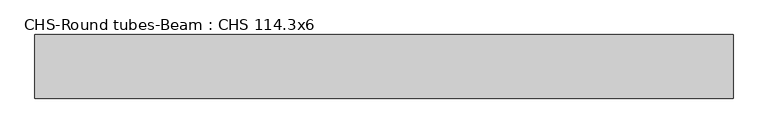
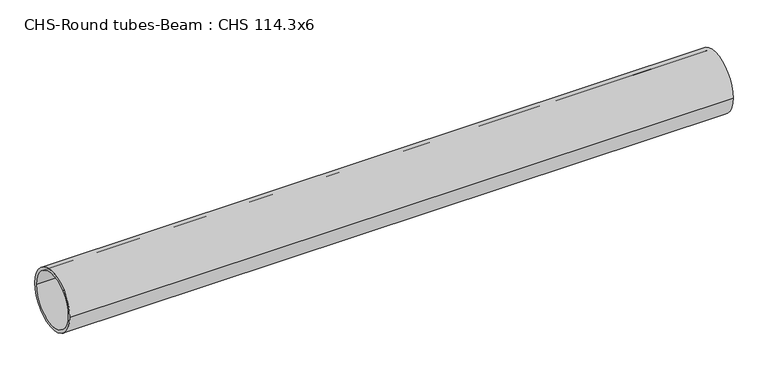
"""IFC4 building model written with IfcOpenShell, lengths in millimetres: beam geometry, CHS-Round tubes-Beam : CHS 114.3x6."""

import ifcopenshell
import ifcopenshell.guid

model = None  # the IFC model being written
_history = None  # IfcOwnerHistory: only IFC2X3 demands one
_inside = {}  # id of a spatial element -> (the spatial element, [elements in it])
_under = {}  # id of a project, library or spatial element -> (it, [spatial elements below it])
_declared = {}  # id of a project -> (the project, [libraries it declares])
_typed = {}  # id of a type object -> (the type object, [elements of that type])
_made_of = {}  # id of a material, layer set ... -> (it, [elements and type objects made of it])


def new_model(schema):
    """Start an empty IFC model of exactly this schema.

    Asked for "IFC4X3", IfcOpenShell would pick the latest addendum, in which some entities
    have other attributes; the version numbers below select the first issue.
    IFC2X3 requires an IfcOwnerHistory on every rooted entity: one is made here for all.
    """
    global model, _history
    if schema == "IFC4X3":
        model = ifcopenshell.file(schema_version=(4, 3, 0, 0))
    else:
        model = ifcopenshell.file(schema=schema)
    _inside.clear()
    _under.clear()
    _declared.clear()
    _typed.clear()
    _made_of.clear()
    _history = None
    if model.schema == "IFC2X3":
        org = make("IfcOrganization", Name="unknown")
        user = make(
            "IfcPersonAndOrganization",
            ThePerson=make("IfcPerson", FamilyName="unknown"),
            TheOrganization=org,
        )
        app = make(
            "IfcApplication",
            ApplicationDeveloper=org,
            Version="unknown",
            ApplicationFullName="unknown",
            ApplicationIdentifier="unknown",
        )
        _history = make(
            "IfcOwnerHistory",
            OwningUser=user,
            OwningApplication=app,
            ChangeAction="ADDED",
            CreationDate=0,
        )
    return model


def make(cls, **values):
    """One entity of the class cls with the attributes given. An attribute that is None is left unset."""
    return model.create_entity(
        cls, **{name: value for name, value in values.items() if value is not None}
    )


def rooted(cls, **values):
    """An entity with a GlobalId (a new one), such as an element, a storey or a relation."""
    return make(cls, GlobalId=ifcopenshell.guid.new(), OwnerHistory=_history, **values)


def si_unit(unit_type, name, prefix=None):
    """IfcSIUnit, for example si_unit("LENGTHUNIT", "METRE", prefix="MILLI")."""
    return make("IfcSIUnit", UnitType=unit_type, Prefix=prefix, Name=name)


def assignment(units):
    """IfcUnitAssignment: the units of a project."""
    return None if units is None else make("IfcUnitAssignment", Units=units)


def point(xyz):
    """IfcCartesianPoint."""
    return None if xyz is None else make("IfcCartesianPoint", Coordinates=xyz)


def direction(xyz):
    """IfcDirection."""
    return None if xyz is None else make("IfcDirection", DirectionRatios=xyz)


def frame(location, z_axis=None, x_axis=None):
    """IfcAxis2Placement3D, a coordinate frame: its origin and axes. An axis left out is left unset."""
    return make(
        "IfcAxis2Placement3D",
        Location=point(location),
        Axis=direction(z_axis),
        RefDirection=direction(x_axis),
    )


def frame_2d(location, x_axis=None):
    """IfcAxis2Placement2D, a coordinate frame in the plane: its origin and x axis."""
    return make(
        "IfcAxis2Placement2D", Location=point(location), RefDirection=direction(x_axis)
    )


def origin():
    """The frame at (0, 0, 0) with its axes left unset."""
    return frame((0.0, 0.0, 0.0))


def origin_2d():
    """The frame at (0, 0) in the plane with its x axis left unset."""
    return frame_2d((0.0, 0.0))


def place(relative_to, where):
    """IfcLocalPlacement: puts the frame where relative to a parent placement (None: the world)."""
    return make(
        "IfcLocalPlacement", PlacementRelTo=relative_to, RelativePlacement=where
    )


def context(
    kind, dimensions, precision=None, world=None, true_north=None, identifier=None
):
    """IfcGeometricRepresentationContext, for example the 3D "Model" context."""
    return make(
        "IfcGeometricRepresentationContext",
        ContextIdentifier=identifier,
        ContextType=kind,
        CoordinateSpaceDimension=dimensions,
        Precision=precision,
        WorldCoordinateSystem=world,
        TrueNorth=true_north,
    )


def project(units=None, contexts=None):
    """IfcProject with its units and contexts."""
    return rooted(
        "IfcProject",
        Name="project",
        RepresentationContexts=contexts,
        UnitsInContext=assignment(units),
    )


def spatial(cls, under=None, at=None, **own):
    """A site, building, storey or space (cls), placed at a placement, below another one or the project."""
    s = rooted(cls, ObjectPlacement=at, **own)
    if under is not None:
        _under.setdefault(under.id(), (under, []))[1].append(s)
    return s


def circle_curve(where, radius):
    """IfcCircle in the frame where."""
    return make("IfcCircle", Position=where, Radius=radius)


def trimmed(basis, trim1, trim2, sense, master):
    """IfcTrimmedCurve: the piece of a basis curve between two trims."""
    return make(
        "IfcTrimmedCurve",
        BasisCurve=basis,
        Trim1=trim1,
        Trim2=trim2,
        SenseAgreement=sense,
        MasterRepresentation=master,
    )


def segment(curve, same_sense, transition):
    """IfcCompositeCurveSegment."""
    return make(
        "IfcCompositeCurveSegment",
        Transition=transition,
        SameSense=same_sense,
        ParentCurve=curve,
    )


def composite_curve(segments, self_intersect=None):
    """IfcCompositeCurve: segments joined end to end."""
    return make("IfcCompositeCurve", Segments=segments, SelfIntersect=self_intersect)


def outline(outer, holes=None, kind="AREA"):
    """IfcArbitraryClosedProfileDef: a profile drawn as a closed curve; with holes, ...WithVoids."""
    if holes is None:
        return make("IfcArbitraryClosedProfileDef", ProfileType=kind, OuterCurve=outer)
    return make(
        "IfcArbitraryProfileDefWithVoids",
        ProfileType=kind,
        OuterCurve=outer,
        InnerCurves=holes,
    )


def extrude(swept, where, along, depth):
    """IfcExtrudedAreaSolid: the profile swept, set in the frame where, extruded along a direction by depth."""
    return make(
        "IfcExtrudedAreaSolid",
        SweptArea=swept,
        Position=where,
        ExtrudedDirection=direction(along),
        Depth=depth,
    )


def shape(context_of_items, identifier, shape_type, items):
    """IfcShapeRepresentation: the items that make up one representation, for example the "Body"."""
    return make(
        "IfcShapeRepresentation",
        ContextOfItems=context_of_items,
        RepresentationIdentifier=identifier,
        RepresentationType=shape_type,
        Items=items,
    )


def source(mapping_origin, context_of_items, identifier, shape_type, items):
    """IfcRepresentationMap: a shape defined once, which mapped items show again and again."""
    return make(
        "IfcRepresentationMap",
        MappingOrigin=mapping_origin,
        MappedRepresentation=shape(context_of_items, identifier, shape_type, items),
    )


def transform(
    local_origin,
    x_axis=None,
    y_axis=None,
    z_axis=None,
    scale=None,
    scale2=None,
    scale3=None,
    uniform=True,
):
    """IfcCartesianTransformationOperator3D, or its non-uniform kind. x_axis, y_axis, z_axis: its Axis1, 2, 3."""
    if uniform:
        return make(
            "IfcCartesianTransformationOperator3D",
            Axis1=direction(x_axis),
            Axis2=direction(y_axis),
            LocalOrigin=point(local_origin),
            Scale=scale,
            Axis3=direction(z_axis),
        )
    return make(
        "IfcCartesianTransformationOperator3DnonUniform",
        Axis1=direction(x_axis),
        Axis2=direction(y_axis),
        LocalOrigin=point(local_origin),
        Scale=scale,
        Axis3=direction(z_axis),
        Scale2=scale2,
        Scale3=scale3,
    )


def mapped(mapping_source, mapping_target):
    """IfcMappedItem: shows the shape of a source again, moved by a transform."""
    return make(
        "IfcMappedItem", MappingSource=mapping_source, MappingTarget=mapping_target
    )


def made_of(thing, what):
    """Note that an element or type object is made of a material, layer set ...; save() writes the relation."""
    if what is not None:
        _made_of.setdefault(what.id(), (what, []))[1].append(thing)
    return thing


def element(
    cls,
    number,
    at=None,
    inside=None,
    cuts=None,
    type_object=None,
    material=None,
    context=None,
    identifier="Body",
    shape_type=None,
    held_by="IfcProductDefinitionShape",
    body=None,
    shapes=None,
    **own,
):
    """One element of the class cls, such as IfcWall. Its Tag is "e" and its number.

    at: its placement. inside: the storey or other place that contains it. cuts: it is an
    opening in that element (IfcRelVoidsElement). A single representation is given by context,
    identifier, shape_type and body (its items); several are given by shapes. held_by: the class
    of the entity that holds the representations. save() writes the other relations.
    """
    e = rooted(cls, Tag="e%d" % number, ObjectPlacement=at, **own)
    if body is not None:
        shapes = [shape(context, identifier, shape_type, body)]
    if shapes is not None:
        e.Representation = make(held_by, Representations=shapes)
    if inside is not None:
        _inside.setdefault(inside.id(), (inside, []))[1].append(e)
    if cuts is not None:
        rooted(
            "IfcRelVoidsElement", RelatingBuildingElement=cuts, RelatedOpeningElement=e
        )
    if type_object is not None:
        _typed.setdefault(type_object.id(), (type_object, []))[1].append(e)
    return made_of(e, material)


def aggregate(whole, parts):
    """IfcRelAggregates: a whole, such as a stair, and the parts it consists of."""
    return rooted("IfcRelAggregates", RelatingObject=whole, RelatedObjects=parts)


def save(model, path):
    """Write the relations noted so far, then the file.

    IfcRelAggregates (storeys below a building ...), IfcRelContainedInSpatialStructure (elements
    in a storey), IfcRelDefinesByType, IfcRelAssociatesMaterial and IfcRelDeclares: one each for
    every whole, place, type object, material and project.
    """
    for whole, parts in _under.values():
        aggregate(whole, parts)
    for where, things in _inside.values():
        rooted(
            "IfcRelContainedInSpatialStructure",
            RelatedElements=things,
            RelatingStructure=where,
        )
    for kind, things in _typed.values():
        rooted("IfcRelDefinesByType", RelatedObjects=things, RelatingType=kind)
    for what, things in _made_of.values():
        rooted("IfcRelAssociatesMaterial", RelatedObjects=things, RelatingMaterial=what)
    for by, libraries in _declared.values():
        rooted("IfcRelDeclares", RelatingContext=by, RelatedDefinitions=libraries)
    model.write(path)


def chs_round_tubes_beam_chs_114_3x6_2c985530(model_context):
    return source(origin(), model_context, "Body", "SweptSolid", [
        extrude(outline(composite_curve([segment(trimmed(circle_curve(origin_2d(), 57.15), [point((57.15, 0.0))], [point((-57.15, 0.0))], False, "CARTESIAN"), True, "CONTINUOUS"), segment(trimmed(circle_curve(origin_2d(), 57.15), [point((-57.15, 0.0))], [point((57.15, 0.0))], False, "CARTESIAN"), True, "CONTINUOUS")], self_intersect=False), holes=[composite_curve([segment(trimmed(circle_curve(origin_2d(), 51.15), [point((51.15, 0.0))], [point((-51.15, 0.0))], True, "CARTESIAN"), True, "CONTINUOUS"), segment(trimmed(circle_curve(origin_2d(), 51.15), [point((-51.15, 0.0))], [point((51.15, 0.0))], True, "CARTESIAN"), True, "CONTINUOUS")], self_intersect=False)]), frame((-626.8381853, 0.0, 0.0), z_axis=(1.0, 0.0, 0.0), x_axis=(0.0, 1.0, 0.0)), (0.0, 0.0, 1.0), 1253.6755404),
    ])


if __name__ == "__main__":
    model = new_model("IFC4")
    model_context = context("Model", 3, world=origin())
    ifc_project = project(units=[si_unit("LENGTHUNIT", "METRE", prefix="MILLI")], contexts=[model_context])
    site = spatial("IfcSite", under=ifc_project)
    building = spatial("IfcBuilding", under=site)
    placement = place(None, origin())
    chs_round_tubes_beam_chs_114_3x6_shape = chs_round_tubes_beam_chs_114_3x6_2c985530(model_context)
    element("IfcBeam", 1, ObjectType="CHS-Round tubes-Beam : CHS 114.3x6", at=placement, inside=building, context=model_context, shape_type="MappedRepresentation", body=[
        mapped(chs_round_tubes_beam_chs_114_3x6_shape, transform((0.0, 0.0, 0.0), x_axis=(1.0, 0.0, 0.0), y_axis=(0.0, 1.0, 0.0), z_axis=(0.0, 0.0, 1.0))),
    ])
    save(model, "model.ifc")
